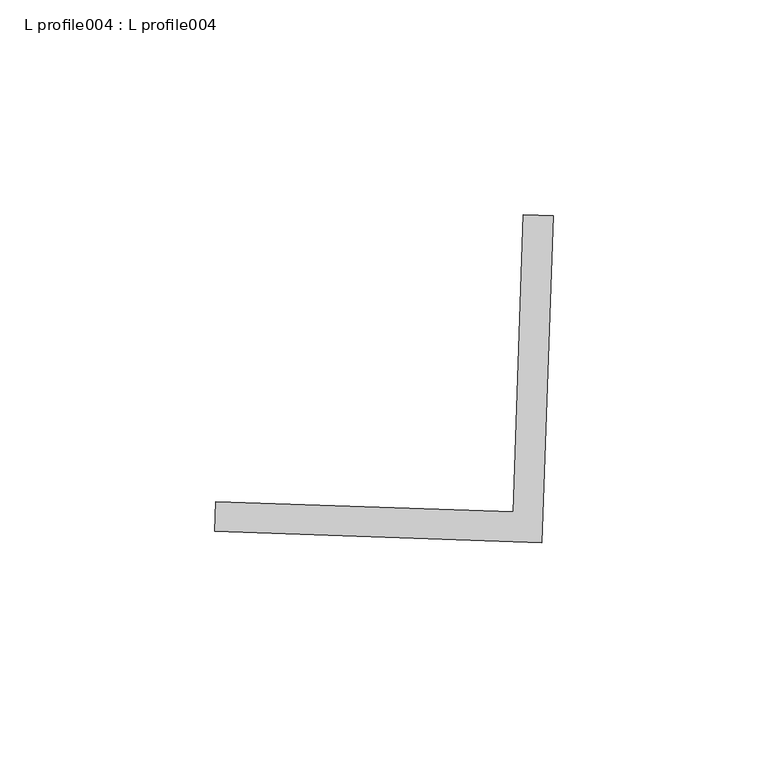
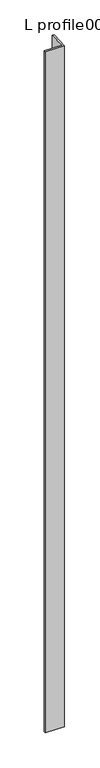
"""IFC4 building model written with IfcOpenShell, lengths in millimetres: proxy geometry, L profile004 : L profile004."""

from ifc_helpers import new_model, si_unit, frame, origin, place, context, project, spatial, polyline, outline, extrude, source, transform, mapped, element, save


def l_profile004_l_profile004_14382123(model_context):
    return source(origin(), model_context, "Body", "SweptSolid", [
        extrude(outline(polyline([(18304.3348902, -14872.0481917), (18228.1819041, -14869.3718659), (18228.42572, -14862.4342544), (18297.6410946, -14864.8667643), (18300.0736045, -14795.6513898), (18307.0112159, -14795.8952056), (18304.3348902, -14872.0481917)])), frame((0.0, 0.0, 73.975708), z_axis=(0.0, 0.0, 1.0), x_axis=(1.0, 0.0, 0.0)), (0.0, 0.0, 1.0), 2959.106901),
    ])


if __name__ == "__main__":
    model = new_model("IFC4")
    model_context = context("Model", 3, world=origin())
    ifc_project = project(units=[si_unit("LENGTHUNIT", "METRE", prefix="MILLI")], contexts=[model_context])
    site = spatial("IfcSite", under=ifc_project)
    building = spatial("IfcBuilding", under=site)
    placement = place(None, origin())
    l_profile004_l_profile004_shape = l_profile004_l_profile004_14382123(model_context)
    element("IfcBuildingElementProxy", 1, Name="L profile004 : L profile004", ObjectType="L profile004 : L profile004", at=placement, inside=building, context=model_context, shape_type="MappedRepresentation", body=[
        mapped(l_profile004_l_profile004_shape, transform((0.0, 0.0, 0.0), x_axis=(1.0, 0.0, 0.0), y_axis=(0.0, 1.0, 0.0), z_axis=(0.0, 0.0, 1.0))),
    ])
    save(model, "model.ifc")
